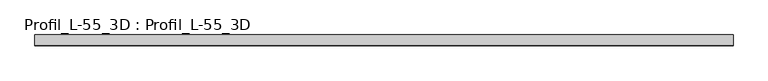
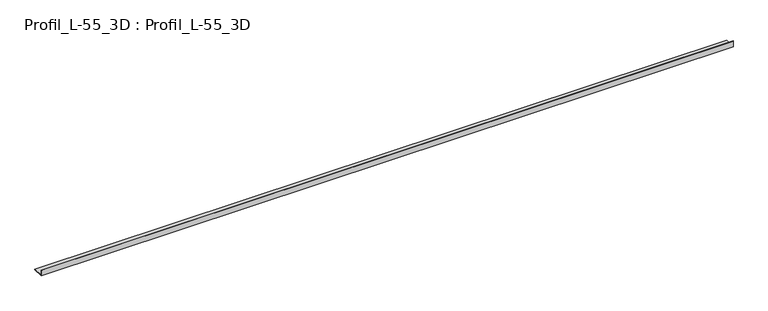
"""IFC4 building model written with IfcOpenShell, lengths in millimetres: proxy geometry, Profil_L-55_3D : Profil_L-55_3D."""

from ifc_helpers import new_model, si_unit, frame, origin, place, context, project, spatial, polyline, outline, extrude, source, transform, mapped, element, save


def profil_l_55_3d_profil_l_55_3d_6b871dc3(model_context):
    return source(origin(), model_context, "Body", "SweptSolid", [
        extrude(outline(polyline([(0.0, 0.0), (0.0, 30.0), (0.8, 30.0), (0.8, 0.8), (56.0, 0.8), (56.0, 0.0), (0.0, 0.0)])), frame((0.0, 0.0, 0.0), z_axis=(1.0, 0.0, 0.0), x_axis=(0.0, 1.0, 0.0)), (0.0, 0.0, 1.0), 3600.0000005),
    ])


if __name__ == "__main__":
    model = new_model("IFC4")
    model_context = context("Model", 3, world=origin())
    ifc_project = project(units=[si_unit("LENGTHUNIT", "METRE", prefix="MILLI")], contexts=[model_context])
    site = spatial("IfcSite", under=ifc_project)
    building = spatial("IfcBuilding", under=site)
    placement = place(None, origin())
    profil_l_55_3d_profil_l_55_3d_shape = profil_l_55_3d_profil_l_55_3d_6b871dc3(model_context)
    element("IfcBuildingElementProxy", 1, Name="Profil_L-55_3D : Profil_L-55_3D", ObjectType="Profil_L-55_3D : Profil_L-55_3D", at=placement, inside=building, context=model_context, shape_type="MappedRepresentation", body=[
        mapped(profil_l_55_3d_profil_l_55_3d_shape, transform((0.0, 0.0, 0.0), x_axis=(1.0, 0.0, 0.0), y_axis=(0.0, 1.0, 0.0), z_axis=(0.0, 0.0, 1.0))),
    ])
    save(model, "model.ifc")
